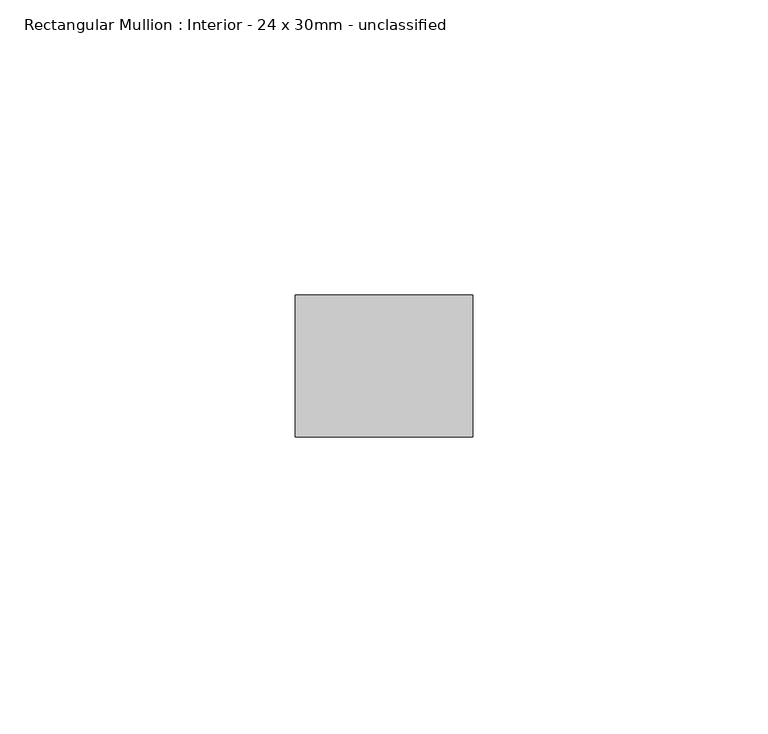
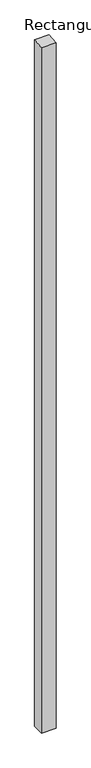
"""IFC4 building model written with IfcOpenShell, lengths in millimetres: member geometry, Rectangular Mullion : Interior - 24 x 30mm - unclassified."""

from ifc_helpers import new_model, si_unit, frame, origin, place, context, project, spatial, polyline, outline, extrude, source, transform, mapped, element, save


def rectangular_mullion_interior_24_x_30mm_unclassified_6097a23b(model_context):
    return source(origin(), model_context, "Body", "SweptSolid", [
        extrude(outline(polyline([(-12.0, -1.306243), (12.0, 1.306243), (12.0, -1500.000007), (-12.0, -1500.000007), (-12.0, -1.306243)])), frame((-30.0, 0.0, 0.0), z_axis=(1.0, 0.0, 0.0), x_axis=(0.0, 1.0, 0.0)), (0.0, 0.0, 1.0), 30.0),
    ])


if __name__ == "__main__":
    model = new_model("IFC4")
    model_context = context("Model", 3, world=origin())
    ifc_project = project(units=[si_unit("LENGTHUNIT", "METRE", prefix="MILLI")], contexts=[model_context])
    site = spatial("IfcSite", under=ifc_project)
    building = spatial("IfcBuilding", under=site)
    placement = place(None, origin())
    rectangular_mullion_interior_24_x_30mm_unclassified_shape = rectangular_mullion_interior_24_x_30mm_unclassified_6097a23b(model_context)
    element("IfcMember", 1, ObjectType="Rectangular Mullion : Interior - 24 x 30mm - unclassified", at=placement, inside=building, context=model_context, shape_type="MappedRepresentation", body=[
        mapped(rectangular_mullion_interior_24_x_30mm_unclassified_shape, transform((0.0, 0.0, 0.0), x_axis=(1.0, 0.0, 0.0), y_axis=(0.0, 1.0, 0.0), z_axis=(0.0, 0.0, 1.0))),
    ])
    save(model, "model.ifc")
